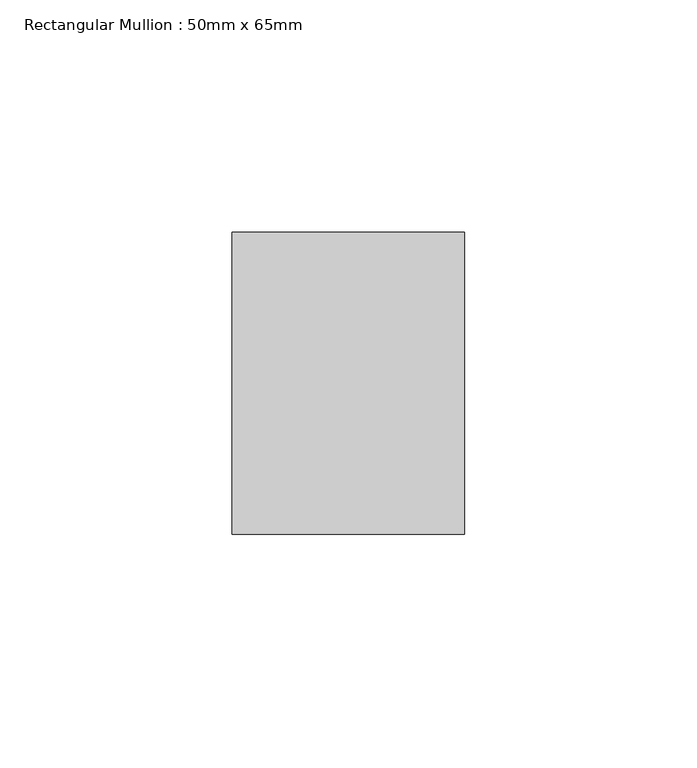
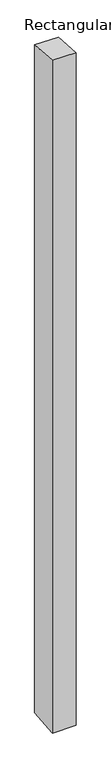
"""IFC4 building model written with IfcOpenShell, lengths in millimetres: member geometry, Rectangular Mullion : 50mm x 65mm."""

from ifc_helpers import new_model, si_unit, origin, place, context, project, spatial, faceted_brep, source, transform, mapped, element, save


def rectangular_mullion_50mm_x_65mm_df9c6d1e(model_context):
    return source(origin(), model_context, "Body", "Brep", [
        faceted_brep([(-25.0, 32.5, -2.4319407), (25.0, 32.5, -2.431958), (25.0, 32.5, -1497.0087332), (-25.0, 32.5, -1497.0087545), (-25.0, -32.5, 2.431958), (-25.0, -32.5, -1502.9910652), (25.0, -32.5, 2.4319407), (25.0, -32.5, -1502.9910439)], [[[0, 1, 2, 3]], [[4, 0, 3, 5]], [[6, 4, 5, 7]], [[1, 6, 7, 2]], [[1, 0, 4, 6]], [[2, 7, 5, 3]]]),
    ])


if __name__ == "__main__":
    model = new_model("IFC4")
    model_context = context("Model", 3, world=origin())
    ifc_project = project(units=[si_unit("LENGTHUNIT", "METRE", prefix="MILLI")], contexts=[model_context])
    site = spatial("IfcSite", under=ifc_project)
    building = spatial("IfcBuilding", under=site)
    placement = place(None, origin())
    rectangular_mullion_50mm_x_65mm_shape = rectangular_mullion_50mm_x_65mm_df9c6d1e(model_context)
    element("IfcMember", 1, ObjectType="Rectangular Mullion : 50mm x 65mm", at=placement, inside=building, context=model_context, shape_type="MappedRepresentation", body=[
        mapped(rectangular_mullion_50mm_x_65mm_shape, transform((0.0, 0.0, 0.0), x_axis=(1.0, 0.0, 0.0), y_axis=(0.0, 1.0, 0.0), z_axis=(0.0, 0.0, 1.0))),
    ])
    save(model, "model.ifc")
